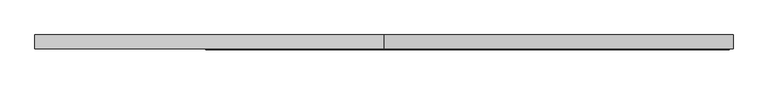
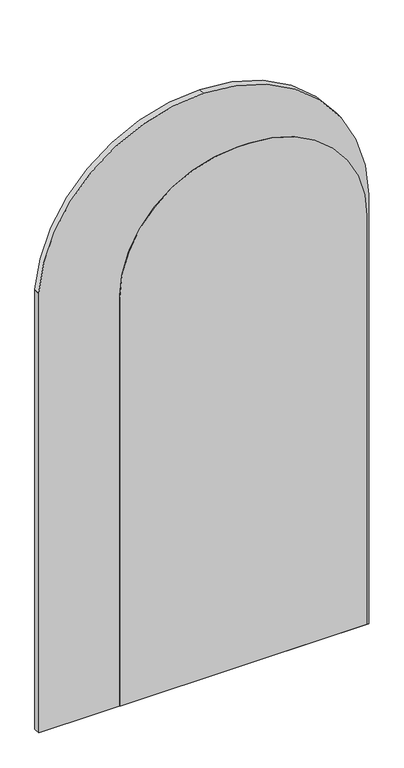
"""IFC4 building model written with IfcOpenShell, lengths in millimetres: furniture geometry."""

from ifc_helpers import new_model, si_unit, point, frame, frame_2d, origin, place, context, project, spatial, polyline, circle_curve, trimmed, segment, composite_curve, outline, extrude, source, transform, mapped, element, save


def furniture_8af71ab3(model_context):
    return source(origin(), model_context, "Body", "SweptSolid", [
        extrude(outline(composite_curve([segment(polyline([(0.0, 264.1285589), (0.0, 1164.0505546), (1572.828058, 1164.0505546)]), True, "CONTINUOUS"), segment(trimmed(circle_curve(frame_2d((1572.828058, 736.9262689)), 427.1242857), [point((1572.828058, 1164.0505546))], [point((1999.9523438, 736.9262689))], False, "CARTESIAN"), True, "CONTINUOUS"), segment(polyline([(1999.9523438, 736.9262689), (1999.9523438, 691.5888505)]), True, "CONTINUOUS"), segment(trimmed(circle_curve(frame_2d((1572.4920522, 691.5888505)), 427.4602916), [point((1999.9523438, 691.5888505))], [point((1572.4920522, 264.1285589))], False, "CARTESIAN"), True, "CONTINUOUS"), segment(polyline([(1572.4920522, 264.1285589), (0.0, 264.1285589)]), True, "CONTINUOUS")], self_intersect=False)), frame((0.0, 31.0049115, 0.0), z_axis=(0.0, 1.0, 0.0), x_axis=(0.0, 0.0, 1.0)), (0.0, 0.0, 1.0), 12.7000004),
        extrude(outline(composite_curve([segment(polyline([(0.0, -29.432618), (0.0, 1170.4197258), (1649.9582031, 1170.4197258)]), True, "CONTINUOUS"), segment(trimmed(circle_curve(frame_2d((1649.9582031, 570.4935539)), 599.9261719), [point((1649.9582031, 1170.4197258))], [point((2249.884375, 570.4935539))], False, "CARTESIAN"), True, "CONTINUOUS"), segment(trimmed(circle_curve(frame_2d((1648.5554176, 570.5212213)), 601.328958), [point((2249.884375, 570.4935539))], [point((1691.0306495, -29.3057291))], False, "CARTESIAN"), True, "CONTINUOUS"), segment(trimmed(circle_curve(frame_2d((1687.442361, 21.367382)), 50.8), [point((1691.0306495, -29.3057291))], [point((1687.442361, -29.432618))], False, "CARTESIAN"), True, "CONTINUOUS"), segment(polyline([(1687.442361, -29.432618), (0.0, -29.432618)]), True, "CONTINUOUS")], self_intersect=False)), frame((0.0, 32.4941406, 0.0), z_axis=(0.0, 1.0, 0.0), x_axis=(0.0, 0.0, 1.0)), (0.0, 0.0, 1.0), 23.9117188),
    ])


if __name__ == "__main__":
    model = new_model("IFC4")
    model_context = context("Model", 3, world=origin())
    ifc_project = project(units=[si_unit("LENGTHUNIT", "METRE", prefix="MILLI")], contexts=[model_context])
    site = spatial("IfcSite", under=ifc_project)
    building = spatial("IfcBuilding", under=site)
    placement = place(None, origin())
    furniture_shape = furniture_8af71ab3(model_context)
    element("IfcFurniture", 1, at=placement, inside=building, context=model_context, shape_type="MappedRepresentation", body=[
        mapped(furniture_shape, transform((0.0, 0.0, 0.0), x_axis=(1.0, 0.0, 0.0), y_axis=(0.0, 1.0, 0.0), z_axis=(0.0, 0.0, 1.0))),
    ])
    save(model, "model.ifc")
